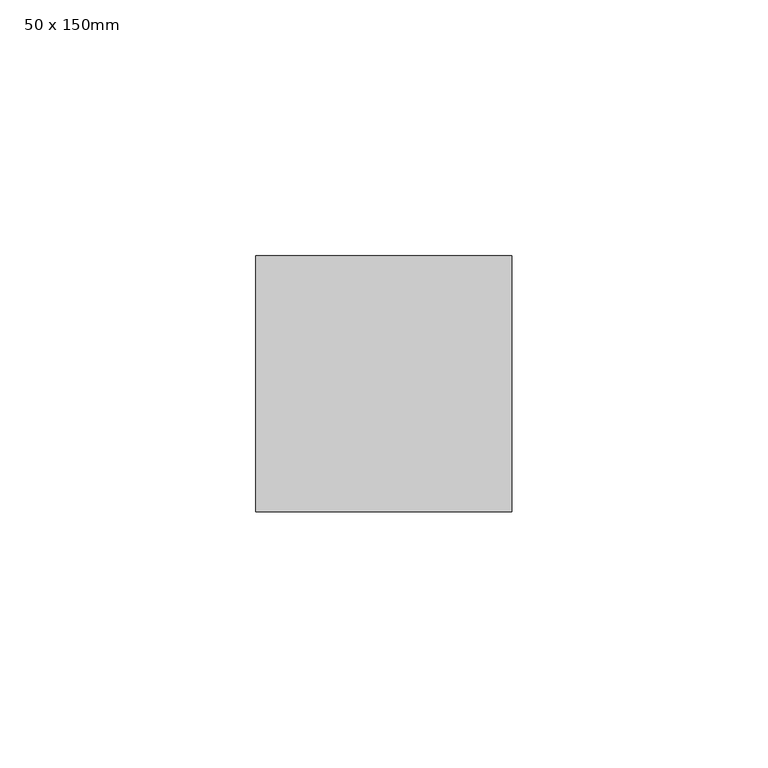
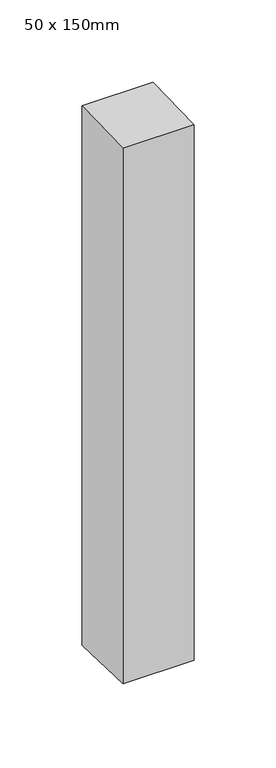
"""IFC4 building model written with IfcOpenShell, lengths in millimetres: member geometry, 50 x 150mm."""

from ifc_helpers import new_model, si_unit, frame, origin, place, context, project, spatial, polyline, outline, extrude, source, transform, mapped, element, save


def member_50_x_150mm_6a80dadb(model_context):
    return source(origin(), model_context, "Body", "SweptSolid", [
        extrude(outline(polyline([(-25.0, -0.7898676), (25.0, 0.7898676), (25.0, -400.7651611), (-25.0, -399.2348389), (-25.0, -0.7898676)])), frame((-25.0, 0.0, 0.0), z_axis=(1.0, 0.0, 0.0), x_axis=(0.0, 1.0, 0.0)), (0.0, 0.0, 1.0), 50.0),
    ])


if __name__ == "__main__":
    model = new_model("IFC4")
    model_context = context("Model", 3, world=origin())
    ifc_project = project(units=[si_unit("LENGTHUNIT", "METRE", prefix="MILLI")], contexts=[model_context])
    site = spatial("IfcSite", under=ifc_project)
    building = spatial("IfcBuilding", under=site)
    placement = place(None, origin())
    member_50_x_150mm_shape = member_50_x_150mm_6a80dadb(model_context)
    element("IfcMember", 1, ObjectType="50 x 150mm", at=placement, inside=building, context=model_context, shape_type="MappedRepresentation", body=[
        mapped(member_50_x_150mm_shape, transform((0.0, 0.0, 0.0), x_axis=(1.0, 0.0, 0.0), y_axis=(0.0, 1.0, 0.0), z_axis=(0.0, 0.0, 1.0))),
    ])
    save(model, "model.ifc")
